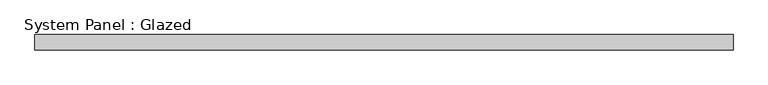
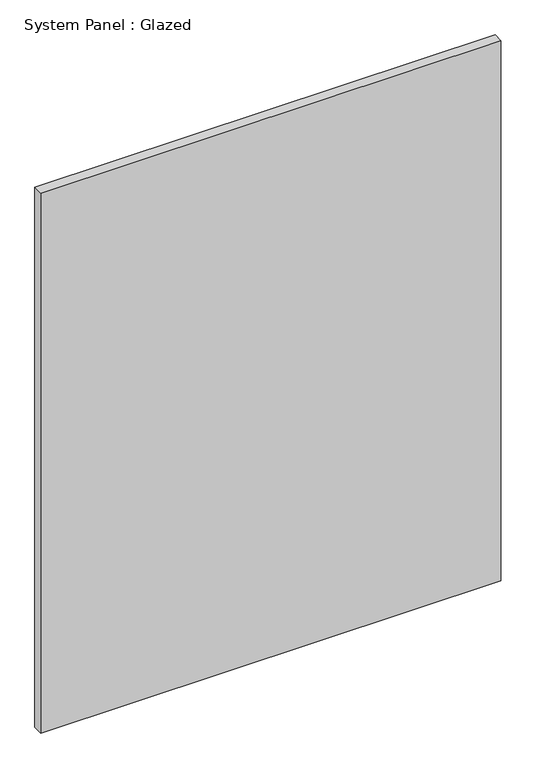
"""IFC4 building model written with IfcOpenShell, lengths in millimetres: plate geometry, System Panel : Glazed."""

from ifc_helpers import new_model, si_unit, origin, origin_with_axes, place, context, project, spatial, polyline, outline, extrude, source, transform, mapped, element, save


def system_panel_glazed_a1b0ccd6(model_context):
    return source(origin(), model_context, "Body", "SweptSolid", [
        extrude(outline(polyline([(587.375, -36.6), (-587.375, -36.6), (-587.375, -11.2), (587.375, -11.2), (587.375, -36.6)])), origin_with_axes(), (0.0, 0.0, 1.0), 1457.325),
    ])


if __name__ == "__main__":
    model = new_model("IFC4")
    model_context = context("Model", 3, world=origin())
    ifc_project = project(units=[si_unit("LENGTHUNIT", "METRE", prefix="MILLI")], contexts=[model_context])
    site = spatial("IfcSite", under=ifc_project)
    building = spatial("IfcBuilding", under=site)
    placement = place(None, origin())
    system_panel_glazed_shape = system_panel_glazed_a1b0ccd6(model_context)
    element("IfcPlate", 1, ObjectType="System Panel : Glazed", at=placement, inside=building, context=model_context, shape_type="MappedRepresentation", body=[
        mapped(system_panel_glazed_shape, transform((0.0, 0.0, 0.0), x_axis=(1.0, 0.0, 0.0), y_axis=(0.0, 1.0, 0.0), z_axis=(0.0, 0.0, 1.0))),
    ])
    save(model, "model.ifc")
